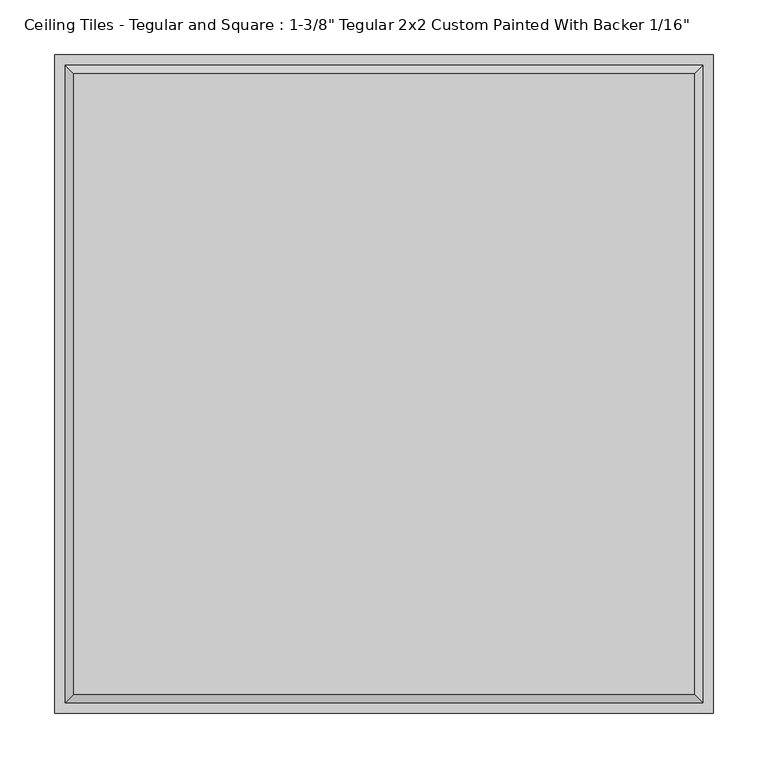
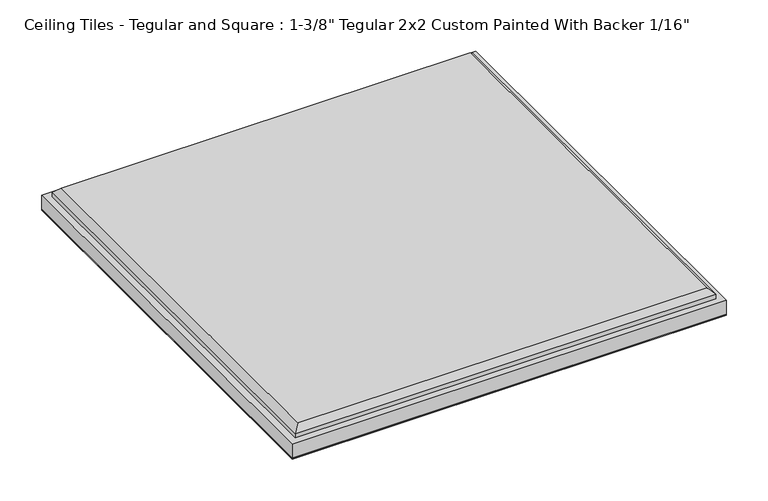
"""IFC4 building model written with IfcOpenShell, lengths in millimetres: proxy geometry."""

import ifcopenshell
import ifcopenshell.guid

model = None  # the IFC model being written
_history = None  # IfcOwnerHistory: only IFC2X3 demands one
_inside = {}  # id of a spatial element -> (the spatial element, [elements in it])
_under = {}  # id of a project, library or spatial element -> (it, [spatial elements below it])
_declared = {}  # id of a project -> (the project, [libraries it declares])
_typed = {}  # id of a type object -> (the type object, [elements of that type])
_made_of = {}  # id of a material, layer set ... -> (it, [elements and type objects made of it])


def new_model(schema):
    """Start an empty IFC model of exactly this schema.

    Asked for "IFC4X3", IfcOpenShell would pick the latest addendum, in which some entities
    have other attributes; the version numbers below select the first issue.
    IFC2X3 requires an IfcOwnerHistory on every rooted entity: one is made here for all.
    """
    global model, _history
    if schema == "IFC4X3":
        model = ifcopenshell.file(schema_version=(4, 3, 0, 0))
    else:
        model = ifcopenshell.file(schema=schema)
    _inside.clear()
    _under.clear()
    _declared.clear()
    _typed.clear()
    _made_of.clear()
    _history = None
    if model.schema == "IFC2X3":
        org = make("IfcOrganization", Name="unknown")
        user = make(
            "IfcPersonAndOrganization",
            ThePerson=make("IfcPerson", FamilyName="unknown"),
            TheOrganization=org,
        )
        app = make(
            "IfcApplication",
            ApplicationDeveloper=org,
            Version="unknown",
            ApplicationFullName="unknown",
            ApplicationIdentifier="unknown",
        )
        _history = make(
            "IfcOwnerHistory",
            OwningUser=user,
            OwningApplication=app,
            ChangeAction="ADDED",
            CreationDate=0,
        )
    return model


def make(cls, **values):
    """One entity of the class cls with the attributes given. An attribute that is None is left unset."""
    return model.create_entity(
        cls, **{name: value for name, value in values.items() if value is not None}
    )


def rooted(cls, **values):
    """An entity with a GlobalId (a new one), such as an element, a storey or a relation."""
    return make(cls, GlobalId=ifcopenshell.guid.new(), OwnerHistory=_history, **values)


def si_unit(unit_type, name, prefix=None):
    """IfcSIUnit, for example si_unit("LENGTHUNIT", "METRE", prefix="MILLI")."""
    return make("IfcSIUnit", UnitType=unit_type, Prefix=prefix, Name=name)


def assignment(units):
    """IfcUnitAssignment: the units of a project."""
    return None if units is None else make("IfcUnitAssignment", Units=units)


def point(xyz):
    """IfcCartesianPoint."""
    return None if xyz is None else make("IfcCartesianPoint", Coordinates=xyz)


def direction(xyz):
    """IfcDirection."""
    return None if xyz is None else make("IfcDirection", DirectionRatios=xyz)


def frame(location, z_axis=None, x_axis=None):
    """IfcAxis2Placement3D, a coordinate frame: its origin and axes. An axis left out is left unset."""
    return make(
        "IfcAxis2Placement3D",
        Location=point(location),
        Axis=direction(z_axis),
        RefDirection=direction(x_axis),
    )


def origin():
    """The frame at (0, 0, 0) with its axes left unset."""
    return frame((0.0, 0.0, 0.0))


def origin_with_axes():
    """The frame at (0, 0, 0) with the z axis (0, 0, 1) and the x axis (1, 0, 0) written out."""
    return frame((0.0, 0.0, 0.0), z_axis=(0.0, 0.0, 1.0), x_axis=(1.0, 0.0, 0.0))


def place(relative_to, where):
    """IfcLocalPlacement: puts the frame where relative to a parent placement (None: the world)."""
    return make(
        "IfcLocalPlacement", PlacementRelTo=relative_to, RelativePlacement=where
    )


def context(
    kind, dimensions, precision=None, world=None, true_north=None, identifier=None
):
    """IfcGeometricRepresentationContext, for example the 3D "Model" context."""
    return make(
        "IfcGeometricRepresentationContext",
        ContextIdentifier=identifier,
        ContextType=kind,
        CoordinateSpaceDimension=dimensions,
        Precision=precision,
        WorldCoordinateSystem=world,
        TrueNorth=true_north,
    )


def project(units=None, contexts=None):
    """IfcProject with its units and contexts."""
    return rooted(
        "IfcProject",
        Name="project",
        RepresentationContexts=contexts,
        UnitsInContext=assignment(units),
    )


def spatial(cls, under=None, at=None, **own):
    """A site, building, storey or space (cls), placed at a placement, below another one or the project."""
    s = rooted(cls, ObjectPlacement=at, **own)
    if under is not None:
        _under.setdefault(under.id(), (under, []))[1].append(s)
    return s


def polyline(points):
    """IfcPolyline through the points."""
    return make("IfcPolyline", Points=[point(p) for p in points])


def outline(outer, holes=None, kind="AREA"):
    """IfcArbitraryClosedProfileDef: a profile drawn as a closed curve; with holes, ...WithVoids."""
    if holes is None:
        return make("IfcArbitraryClosedProfileDef", ProfileType=kind, OuterCurve=outer)
    return make(
        "IfcArbitraryProfileDefWithVoids",
        ProfileType=kind,
        OuterCurve=outer,
        InnerCurves=holes,
    )


def extrude(swept, where, along, depth):
    """IfcExtrudedAreaSolid: the profile swept, set in the frame where, extruded along a direction by depth."""
    return make(
        "IfcExtrudedAreaSolid",
        SweptArea=swept,
        Position=where,
        ExtrudedDirection=direction(along),
        Depth=depth,
    )


def faces_of(points, faces, orient=None, outer=None):
    """IfcFace entities. A face is a list of loops; a loop is a list of indices into points, from 0.

    orient and outer hold one flag for each loop. By default every Orientation is true, the
    first loop of a face is its IfcFaceOuterBound and the others are IfcFaceBound.
    """
    made = []
    for i, loops in enumerate(faces):
        bounds = []
        for j, loop in enumerate(loops):
            is_outer = j == 0 if outer is None else outer[i][j]
            bounds.append(
                make(
                    "IfcFaceOuterBound" if is_outer else "IfcFaceBound",
                    Bound=make("IfcPolyLoop", Polygon=[points[k] for k in loop]),
                    Orientation=True if orient is None else orient[i][j],
                )
            )
        made.append(make("IfcFace", Bounds=bounds))
    return made


def faceted_brep(points, faces, orient=None, outer=None, voids=None):
    """IfcFacetedBrep: a solid bounded by flat faces; with voids (closed shells), ...WithVoids."""
    shared = [point(p) for p in points]
    hull = make("IfcClosedShell", CfsFaces=faces_of(shared, faces, orient, outer))
    if voids is None:
        return make("IfcFacetedBrep", Outer=hull)
    return make(
        "IfcFacetedBrepWithVoids",
        Outer=hull,
        Voids=[
            make(cls, CfsFaces=faces_of(shared, fs, o, b)) for cls, fs, o, b in voids
        ],
    )


def shape(context_of_items, identifier, shape_type, items):
    """IfcShapeRepresentation: the items that make up one representation, for example the "Body"."""
    return make(
        "IfcShapeRepresentation",
        ContextOfItems=context_of_items,
        RepresentationIdentifier=identifier,
        RepresentationType=shape_type,
        Items=items,
    )


def source(mapping_origin, context_of_items, identifier, shape_type, items):
    """IfcRepresentationMap: a shape defined once, which mapped items show again and again."""
    return make(
        "IfcRepresentationMap",
        MappingOrigin=mapping_origin,
        MappedRepresentation=shape(context_of_items, identifier, shape_type, items),
    )


def transform(
    local_origin,
    x_axis=None,
    y_axis=None,
    z_axis=None,
    scale=None,
    scale2=None,
    scale3=None,
    uniform=True,
):
    """IfcCartesianTransformationOperator3D, or its non-uniform kind. x_axis, y_axis, z_axis: its Axis1, 2, 3."""
    if uniform:
        return make(
            "IfcCartesianTransformationOperator3D",
            Axis1=direction(x_axis),
            Axis2=direction(y_axis),
            LocalOrigin=point(local_origin),
            Scale=scale,
            Axis3=direction(z_axis),
        )
    return make(
        "IfcCartesianTransformationOperator3DnonUniform",
        Axis1=direction(x_axis),
        Axis2=direction(y_axis),
        LocalOrigin=point(local_origin),
        Scale=scale,
        Axis3=direction(z_axis),
        Scale2=scale2,
        Scale3=scale3,
    )


def mapped(mapping_source, mapping_target):
    """IfcMappedItem: shows the shape of a source again, moved by a transform."""
    return make(
        "IfcMappedItem", MappingSource=mapping_source, MappingTarget=mapping_target
    )


def made_of(thing, what):
    """Note that an element or type object is made of a material, layer set ...; save() writes the relation."""
    if what is not None:
        _made_of.setdefault(what.id(), (what, []))[1].append(thing)
    return thing


def element(
    cls,
    number,
    at=None,
    inside=None,
    cuts=None,
    type_object=None,
    material=None,
    context=None,
    identifier="Body",
    shape_type=None,
    held_by="IfcProductDefinitionShape",
    body=None,
    shapes=None,
    **own,
):
    """One element of the class cls, such as IfcWall. Its Tag is "e" and its number.

    at: its placement. inside: the storey or other place that contains it. cuts: it is an
    opening in that element (IfcRelVoidsElement). A single representation is given by context,
    identifier, shape_type and body (its items); several are given by shapes. held_by: the class
    of the entity that holds the representations. save() writes the other relations.
    """
    e = rooted(cls, Tag="e%d" % number, ObjectPlacement=at, **own)
    if body is not None:
        shapes = [shape(context, identifier, shape_type, body)]
    if shapes is not None:
        e.Representation = make(held_by, Representations=shapes)
    if inside is not None:
        _inside.setdefault(inside.id(), (inside, []))[1].append(e)
    if cuts is not None:
        rooted(
            "IfcRelVoidsElement", RelatingBuildingElement=cuts, RelatedOpeningElement=e
        )
    if type_object is not None:
        _typed.setdefault(type_object.id(), (type_object, []))[1].append(e)
    return made_of(e, material)


def aggregate(whole, parts):
    """IfcRelAggregates: a whole, such as a stair, and the parts it consists of."""
    return rooted("IfcRelAggregates", RelatingObject=whole, RelatedObjects=parts)


def save(model, path):
    """Write the relations noted so far, then the file.

    IfcRelAggregates (storeys below a building ...), IfcRelContainedInSpatialStructure (elements
    in a storey), IfcRelDefinesByType, IfcRelAssociatesMaterial and IfcRelDeclares: one each for
    every whole, place, type object, material and project.
    """
    for whole, parts in _under.values():
        aggregate(whole, parts)
    for where, things in _inside.values():
        rooted(
            "IfcRelContainedInSpatialStructure",
            RelatedElements=things,
            RelatingStructure=where,
        )
    for kind, things in _typed.values():
        rooted("IfcRelDefinesByType", RelatedObjects=things, RelatingType=kind)
    for what, things in _made_of.values():
        rooted("IfcRelAssociatesMaterial", RelatedObjects=things, RelatingMaterial=what)
    for by, libraries in _declared.values():
        rooted("IfcRelDeclares", RelatingContext=by, RelatedDefinitions=libraries)
    model.write(path)


def proxy_887bca5a(model_context):
    return source(origin(), model_context, "Body", "SolidModel", [
        extrude(outline(polyline([(301.625, 301.625), (301.625, -301.625), (-301.625, -301.625), (-301.625, 301.625), (301.625, 301.625)])), origin_with_axes(), (0.0, 0.0, 1.0), 1.5875),
        faceted_brep([(284.099, 284.099, 36.5125), (-284.099, 284.099, 36.5125), (-284.099, -284.099, 36.5125), (284.099, -284.099, 36.5125), (-301.625, 301.625, 1.5875), (301.625, 301.625, 1.5875), (301.625, -301.625, 1.5875), (-301.625, -301.625, 1.5875), (-301.625, -301.625, 22.225), (-301.625, 301.625, 22.225), (301.625, -301.625, 22.225), (301.625, 301.625, 22.225), (292.1, 292.1, 28.5115), (-292.1, 292.1, 28.5115), (-292.1, -292.1, 28.5115), (292.1, -292.1, 28.5115), (292.1, 292.1, 22.225), (-292.1, 292.1, 22.225), (-292.1, -292.1, 22.225), (292.1, -292.1, 22.225)], [[[0, 1, 2, 3]], [[4, 5, 6, 7]], [[4, 7, 8, 9]], [[7, 6, 10, 8]], [[6, 5, 11, 10]], [[5, 4, 9, 11]], [[12, 13, 1, 0]], [[1, 13, 14, 2]], [[2, 14, 15, 3]], [[12, 0, 3, 15]], [[16, 17, 13, 12]], [[13, 17, 18, 14]], [[14, 18, 19, 15]], [[16, 12, 15, 19]], [[9, 8, 10, 11], [17, 16, 19, 18]]]),
    ])


if __name__ == "__main__":
    model = new_model("IFC4")
    model_context = context("Model", 3, world=origin())
    ifc_project = project(units=[si_unit("LENGTHUNIT", "METRE", prefix="MILLI")], contexts=[model_context])
    site = spatial("IfcSite", under=ifc_project)
    building = spatial("IfcBuilding", under=site)
    placement = place(None, origin())
    proxy_shape = proxy_887bca5a(model_context)
    element("IfcBuildingElementProxy", 1, Name="Ceiling Tiles - Tegular and Square : 1-3/8\" Tegular 2x2 Custom Painted With Backer 1/16\"", ObjectType="Ceiling Tiles - Tegular and Square : 1-3/8\" Tegular 2x2 Custom Painted With Backer 1/16\"", at=placement, inside=building, context=model_context, shape_type="MappedRepresentation", body=[
        mapped(proxy_shape, transform((0.0, 0.0, 0.0), x_axis=(1.0, 0.0, 0.0), y_axis=(0.0, 1.0, 0.0), z_axis=(0.0, 0.0, 1.0))),
    ])
    save(model, "model.ifc")
